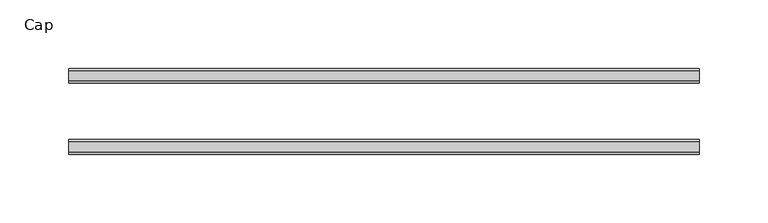
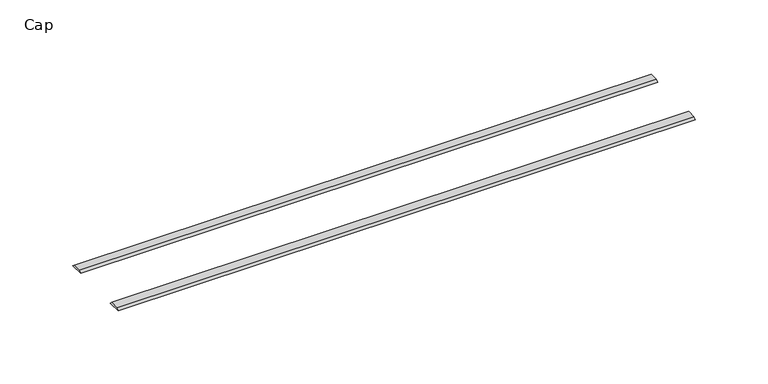
"""IFC4 building model written with IfcOpenShell, lengths in millimetres: furniture geometry, Cap."""

from ifc_helpers import new_model, si_unit, frame, origin, place, context, project, spatial, polyline, outline, extrude, source, transform, mapped, element, save


def cap_00b0ae3a(model_context):
    return source(origin(), model_context, "Body", "SweptSolid", [
        extrude(outline(polyline([(46.5601737, 0.0), (36.0093955, 0.0), (37.5968955, 1.5875), (44.9726737, 1.5875), (46.5601737, 0.0)])), frame((-198.6228469, 0.0, 0.0), z_axis=(1.0, 0.0, 0.0), x_axis=(0.0, 1.0, 0.0)), (0.0, 0.0, 1.0), 457.2),
        extrude(outline(polyline([(-15.5565637, 0.0), (-13.9690637, 1.5875), (-6.5932854, 1.5875), (-5.0057854, 0.0), (-15.5565637, 0.0)])), frame((-198.6228469, 0.0, 0.0), z_axis=(1.0, 0.0, 0.0), x_axis=(0.0, 1.0, 0.0)), (0.0, 0.0, 1.0), 457.2),
    ])


if __name__ == "__main__":
    model = new_model("IFC4")
    model_context = context("Model", 3, world=origin())
    ifc_project = project(units=[si_unit("LENGTHUNIT", "METRE", prefix="MILLI")], contexts=[model_context])
    site = spatial("IfcSite", under=ifc_project)
    building = spatial("IfcBuilding", under=site)
    placement = place(None, origin())
    cap_shape = cap_00b0ae3a(model_context)
    element("IfcFurniture", 1, ObjectType="Cap", at=placement, inside=building, context=model_context, shape_type="MappedRepresentation", body=[
        mapped(cap_shape, transform((0.0, 0.0, 0.0), x_axis=(1.0, 0.0, 0.0), y_axis=(0.0, 1.0, 0.0), z_axis=(0.0, 0.0, 1.0))),
    ])
    save(model, "model.ifc")
